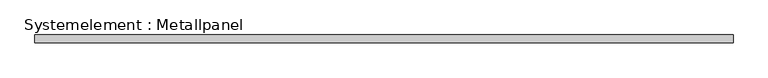
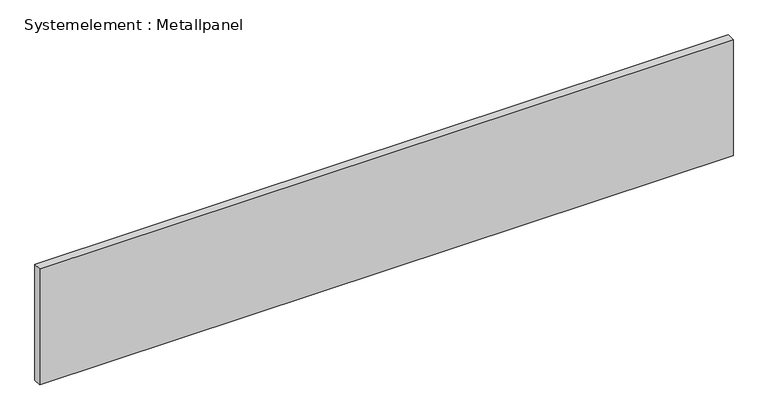
"""IFC4 building model written with IfcOpenShell, lengths in millimetres: plate geometry, Systemelement : Metallpanel."""

import ifcopenshell
import ifcopenshell.guid

model = None  # the IFC model being written
_history = None  # IfcOwnerHistory: only IFC2X3 demands one
_inside = {}  # id of a spatial element -> (the spatial element, [elements in it])
_under = {}  # id of a project, library or spatial element -> (it, [spatial elements below it])
_declared = {}  # id of a project -> (the project, [libraries it declares])
_typed = {}  # id of a type object -> (the type object, [elements of that type])
_made_of = {}  # id of a material, layer set ... -> (it, [elements and type objects made of it])


def new_model(schema):
    """Start an empty IFC model of exactly this schema.

    Asked for "IFC4X3", IfcOpenShell would pick the latest addendum, in which some entities
    have other attributes; the version numbers below select the first issue.
    IFC2X3 requires an IfcOwnerHistory on every rooted entity: one is made here for all.
    """
    global model, _history
    if schema == "IFC4X3":
        model = ifcopenshell.file(schema_version=(4, 3, 0, 0))
    else:
        model = ifcopenshell.file(schema=schema)
    _inside.clear()
    _under.clear()
    _declared.clear()
    _typed.clear()
    _made_of.clear()
    _history = None
    if model.schema == "IFC2X3":
        org = make("IfcOrganization", Name="unknown")
        user = make(
            "IfcPersonAndOrganization",
            ThePerson=make("IfcPerson", FamilyName="unknown"),
            TheOrganization=org,
        )
        app = make(
            "IfcApplication",
            ApplicationDeveloper=org,
            Version="unknown",
            ApplicationFullName="unknown",
            ApplicationIdentifier="unknown",
        )
        _history = make(
            "IfcOwnerHistory",
            OwningUser=user,
            OwningApplication=app,
            ChangeAction="ADDED",
            CreationDate=0,
        )
    return model


def make(cls, **values):
    """One entity of the class cls with the attributes given. An attribute that is None is left unset."""
    return model.create_entity(
        cls, **{name: value for name, value in values.items() if value is not None}
    )


def rooted(cls, **values):
    """An entity with a GlobalId (a new one), such as an element, a storey or a relation."""
    return make(cls, GlobalId=ifcopenshell.guid.new(), OwnerHistory=_history, **values)


def si_unit(unit_type, name, prefix=None):
    """IfcSIUnit, for example si_unit("LENGTHUNIT", "METRE", prefix="MILLI")."""
    return make("IfcSIUnit", UnitType=unit_type, Prefix=prefix, Name=name)


def assignment(units):
    """IfcUnitAssignment: the units of a project."""
    return None if units is None else make("IfcUnitAssignment", Units=units)


def point(xyz):
    """IfcCartesianPoint."""
    return None if xyz is None else make("IfcCartesianPoint", Coordinates=xyz)


def direction(xyz):
    """IfcDirection."""
    return None if xyz is None else make("IfcDirection", DirectionRatios=xyz)


def frame(location, z_axis=None, x_axis=None):
    """IfcAxis2Placement3D, a coordinate frame: its origin and axes. An axis left out is left unset."""
    return make(
        "IfcAxis2Placement3D",
        Location=point(location),
        Axis=direction(z_axis),
        RefDirection=direction(x_axis),
    )


def origin():
    """The frame at (0, 0, 0) with its axes left unset."""
    return frame((0.0, 0.0, 0.0))


def origin_with_axes():
    """The frame at (0, 0, 0) with the z axis (0, 0, 1) and the x axis (1, 0, 0) written out."""
    return frame((0.0, 0.0, 0.0), z_axis=(0.0, 0.0, 1.0), x_axis=(1.0, 0.0, 0.0))


def place(relative_to, where):
    """IfcLocalPlacement: puts the frame where relative to a parent placement (None: the world)."""
    return make(
        "IfcLocalPlacement", PlacementRelTo=relative_to, RelativePlacement=where
    )


def context(
    kind, dimensions, precision=None, world=None, true_north=None, identifier=None
):
    """IfcGeometricRepresentationContext, for example the 3D "Model" context."""
    return make(
        "IfcGeometricRepresentationContext",
        ContextIdentifier=identifier,
        ContextType=kind,
        CoordinateSpaceDimension=dimensions,
        Precision=precision,
        WorldCoordinateSystem=world,
        TrueNorth=true_north,
    )


def project(units=None, contexts=None):
    """IfcProject with its units and contexts."""
    return rooted(
        "IfcProject",
        Name="project",
        RepresentationContexts=contexts,
        UnitsInContext=assignment(units),
    )


def spatial(cls, under=None, at=None, **own):
    """A site, building, storey or space (cls), placed at a placement, below another one or the project."""
    s = rooted(cls, ObjectPlacement=at, **own)
    if under is not None:
        _under.setdefault(under.id(), (under, []))[1].append(s)
    return s


def polyline(points):
    """IfcPolyline through the points."""
    return make("IfcPolyline", Points=[point(p) for p in points])


def outline(outer, holes=None, kind="AREA"):
    """IfcArbitraryClosedProfileDef: a profile drawn as a closed curve; with holes, ...WithVoids."""
    if holes is None:
        return make("IfcArbitraryClosedProfileDef", ProfileType=kind, OuterCurve=outer)
    return make(
        "IfcArbitraryProfileDefWithVoids",
        ProfileType=kind,
        OuterCurve=outer,
        InnerCurves=holes,
    )


def extrude(swept, where, along, depth):
    """IfcExtrudedAreaSolid: the profile swept, set in the frame where, extruded along a direction by depth."""
    return make(
        "IfcExtrudedAreaSolid",
        SweptArea=swept,
        Position=where,
        ExtrudedDirection=direction(along),
        Depth=depth,
    )


def shape(context_of_items, identifier, shape_type, items):
    """IfcShapeRepresentation: the items that make up one representation, for example the "Body"."""
    return make(
        "IfcShapeRepresentation",
        ContextOfItems=context_of_items,
        RepresentationIdentifier=identifier,
        RepresentationType=shape_type,
        Items=items,
    )


def source(mapping_origin, context_of_items, identifier, shape_type, items):
    """IfcRepresentationMap: a shape defined once, which mapped items show again and again."""
    return make(
        "IfcRepresentationMap",
        MappingOrigin=mapping_origin,
        MappedRepresentation=shape(context_of_items, identifier, shape_type, items),
    )


def transform(
    local_origin,
    x_axis=None,
    y_axis=None,
    z_axis=None,
    scale=None,
    scale2=None,
    scale3=None,
    uniform=True,
):
    """IfcCartesianTransformationOperator3D, or its non-uniform kind. x_axis, y_axis, z_axis: its Axis1, 2, 3."""
    if uniform:
        return make(
            "IfcCartesianTransformationOperator3D",
            Axis1=direction(x_axis),
            Axis2=direction(y_axis),
            LocalOrigin=point(local_origin),
            Scale=scale,
            Axis3=direction(z_axis),
        )
    return make(
        "IfcCartesianTransformationOperator3DnonUniform",
        Axis1=direction(x_axis),
        Axis2=direction(y_axis),
        LocalOrigin=point(local_origin),
        Scale=scale,
        Axis3=direction(z_axis),
        Scale2=scale2,
        Scale3=scale3,
    )


def mapped(mapping_source, mapping_target):
    """IfcMappedItem: shows the shape of a source again, moved by a transform."""
    return make(
        "IfcMappedItem", MappingSource=mapping_source, MappingTarget=mapping_target
    )


def made_of(thing, what):
    """Note that an element or type object is made of a material, layer set ...; save() writes the relation."""
    if what is not None:
        _made_of.setdefault(what.id(), (what, []))[1].append(thing)
    return thing


def element(
    cls,
    number,
    at=None,
    inside=None,
    cuts=None,
    type_object=None,
    material=None,
    context=None,
    identifier="Body",
    shape_type=None,
    held_by="IfcProductDefinitionShape",
    body=None,
    shapes=None,
    **own,
):
    """One element of the class cls, such as IfcWall. Its Tag is "e" and its number.

    at: its placement. inside: the storey or other place that contains it. cuts: it is an
    opening in that element (IfcRelVoidsElement). A single representation is given by context,
    identifier, shape_type and body (its items); several are given by shapes. held_by: the class
    of the entity that holds the representations. save() writes the other relations.
    """
    e = rooted(cls, Tag="e%d" % number, ObjectPlacement=at, **own)
    if body is not None:
        shapes = [shape(context, identifier, shape_type, body)]
    if shapes is not None:
        e.Representation = make(held_by, Representations=shapes)
    if inside is not None:
        _inside.setdefault(inside.id(), (inside, []))[1].append(e)
    if cuts is not None:
        rooted(
            "IfcRelVoidsElement", RelatingBuildingElement=cuts, RelatedOpeningElement=e
        )
    if type_object is not None:
        _typed.setdefault(type_object.id(), (type_object, []))[1].append(e)
    return made_of(e, material)


def aggregate(whole, parts):
    """IfcRelAggregates: a whole, such as a stair, and the parts it consists of."""
    return rooted("IfcRelAggregates", RelatingObject=whole, RelatedObjects=parts)


def save(model, path):
    """Write the relations noted so far, then the file.

    IfcRelAggregates (storeys below a building ...), IfcRelContainedInSpatialStructure (elements
    in a storey), IfcRelDefinesByType, IfcRelAssociatesMaterial and IfcRelDeclares: one each for
    every whole, place, type object, material and project.
    """
    for whole, parts in _under.values():
        aggregate(whole, parts)
    for where, things in _inside.values():
        rooted(
            "IfcRelContainedInSpatialStructure",
            RelatedElements=things,
            RelatingStructure=where,
        )
    for kind, things in _typed.values():
        rooted("IfcRelDefinesByType", RelatedObjects=things, RelatingType=kind)
    for what, things in _made_of.values():
        rooted("IfcRelAssociatesMaterial", RelatedObjects=things, RelatingMaterial=what)
    for by, libraries in _declared.values():
        rooted("IfcRelDeclares", RelatingContext=by, RelatedDefinitions=libraries)
    model.write(path)


def systemelement_metallpanel_2d3c04ea(model_context):
    return source(origin(), model_context, "Body", "SweptSolid", [
        extrude(outline(polyline([(1297.4999999, -15.0), (-1297.4999999, -15.0), (-1297.4999999, 15.0), (1297.4999999, 15.0), (1297.4999999, -15.0)])), origin_with_axes(), (0.0, 0.0, 1.0), 460.0),
    ])


if __name__ == "__main__":
    model = new_model("IFC4")
    model_context = context("Model", 3, world=origin())
    ifc_project = project(units=[si_unit("LENGTHUNIT", "METRE", prefix="MILLI")], contexts=[model_context])
    site = spatial("IfcSite", under=ifc_project)
    building = spatial("IfcBuilding", under=site)
    placement = place(None, origin())
    systemelement_metallpanel_shape = systemelement_metallpanel_2d3c04ea(model_context)
    element("IfcPlate", 1, ObjectType="Systemelement : Metallpanel", at=placement, inside=building, context=model_context, shape_type="MappedRepresentation", body=[
        mapped(systemelement_metallpanel_shape, transform((0.0, 0.0, 0.0), x_axis=(1.0, 0.0, 0.0), y_axis=(0.0, 1.0, 0.0), z_axis=(0.0, 0.0, 1.0))),
    ])
    save(model, "model.ifc")
